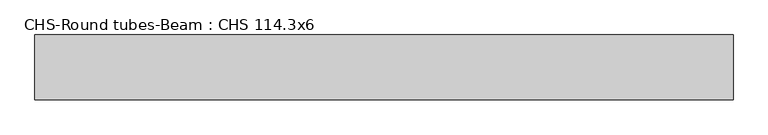
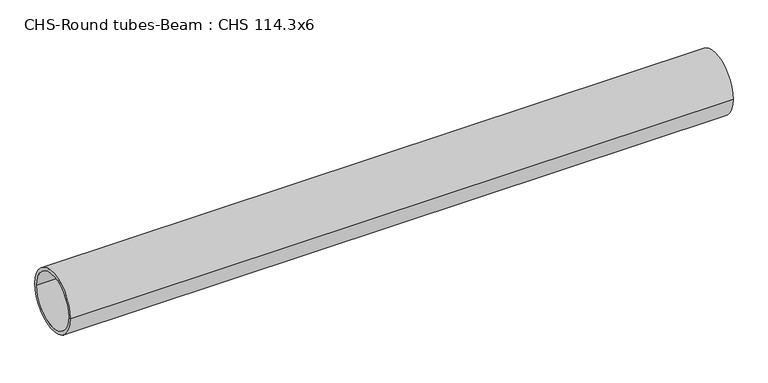
"""IFC4 building model written with IfcOpenShell, lengths in millimetres: beam geometry, CHS-Round tubes-Beam : CHS 114.3x6."""

from ifc_helpers import new_model, si_unit, point, frame, origin, origin_2d, place, context, project, spatial, circle_curve, trimmed, segment, composite_curve, outline, extrude, source, transform, mapped, element, save


def chs_round_tubes_beam_chs_114_3x6_cef8cb9f(model_context):
    return source(origin(), model_context, "Body", "SweptSolid", [
        extrude(outline(composite_curve([segment(trimmed(circle_curve(origin_2d(), 57.15), [point((57.15, 0.0))], [point((-57.15, 0.0))], False, "CARTESIAN"), True, "CONTINUOUS"), segment(trimmed(circle_curve(origin_2d(), 57.15), [point((-57.15, 0.0))], [point((57.15, 0.0))], False, "CARTESIAN"), True, "CONTINUOUS")], self_intersect=False), holes=[composite_curve([segment(trimmed(circle_curve(origin_2d(), 51.15), [point((51.15, 0.0))], [point((-51.15, 0.0))], True, "CARTESIAN"), True, "CONTINUOUS"), segment(trimmed(circle_curve(origin_2d(), 51.15), [point((-51.15, 0.0))], [point((51.15, 0.0))], True, "CARTESIAN"), True, "CONTINUOUS")], self_intersect=False)]), frame((-616.339704, 0.0, 0.0), z_axis=(1.0, 0.0, 0.0), x_axis=(0.0, 1.0, 0.0)), (0.0, 0.0, 1.0), 1232.6807093),
    ])


if __name__ == "__main__":
    model = new_model("IFC4")
    model_context = context("Model", 3, world=origin())
    ifc_project = project(units=[si_unit("LENGTHUNIT", "METRE", prefix="MILLI")], contexts=[model_context])
    site = spatial("IfcSite", under=ifc_project)
    building = spatial("IfcBuilding", under=site)
    placement = place(None, origin())
    chs_round_tubes_beam_chs_114_3x6_shape = chs_round_tubes_beam_chs_114_3x6_cef8cb9f(model_context)
    element("IfcBeam", 1, ObjectType="CHS-Round tubes-Beam : CHS 114.3x6", at=placement, inside=building, context=model_context, shape_type="MappedRepresentation", body=[
        mapped(chs_round_tubes_beam_chs_114_3x6_shape, transform((0.0, 0.0, 0.0), x_axis=(1.0, 0.0, 0.0), y_axis=(0.0, 1.0, 0.0), z_axis=(0.0, 0.0, 1.0))),
    ])
    save(model, "model.ifc")
